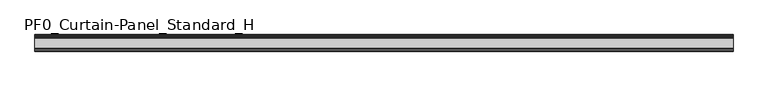
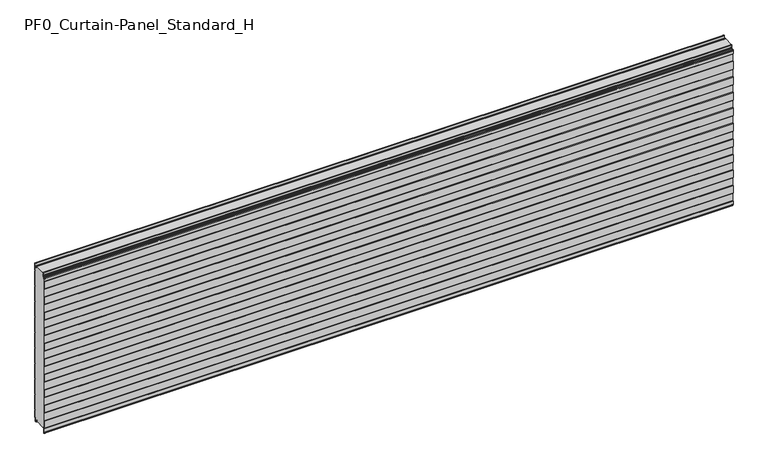
"""IFC4 building model written with IfcOpenShell, lengths in millimetres: plate geometry, PF0_Curtain-Panel_Standard_H."""

from ifc_helpers import new_model, si_unit, point, frame, frame_2d, origin, place, context, project, spatial, polyline, circle_curve, trimmed, segment, composite_curve, outline, extrude, source, transform, mapped, element, save


def pf0_curtain_panel_standard_h_ec4bd795(model_context):
    return source(origin(), model_context, "Body", "SweptSolid", [
        extrude(outline(composite_curve([segment(polyline([(-90.0, 0.0), (-93.5, 0.0)]), True, "CONTINUOUS"), segment(trimmed(circle_curve(frame_2d((-93.5, -2.0)), 2.0), [point((-93.5, 0.0))], [point((-95.5, -2.0))], True, "CARTESIAN"), True, "CONTINUOUS"), segment(polyline([(-95.5, -2.0), (-95.5, -33.0)]), True, "CONTINUOUS"), segment(trimmed(circle_curve(frame_2d((-96.5, -33.0)), 1.0), [point((-95.5, -33.0))], [point((-97.5, -33.0))], False, "CARTESIAN"), True, "CONTINUOUS"), segment(polyline([(-97.5, -33.0), (-97.5, -26.9)]), True, "CONTINUOUS"), segment(trimmed(circle_curve(frame_2d((-98.4, -26.9)), 0.9), [point((-97.5, -26.9))], [point((-98.4, -26.0))], True, "CARTESIAN"), True, "CONTINUOUS"), segment(trimmed(circle_curve(frame_2d((-98.4, -24.4)), 1.6), [point((-98.4, -26.0))], [point((-100.0, -24.4))], False, "CARTESIAN"), True, "CONTINUOUS"), segment(polyline([(-100.0, -24.4), (-100.0, -0.9952559), (-98.5, 1.6028217), (-98.5, 46.4028193), (-100.0, 49.0008969), (-100.0, 99.0047441), (-98.5, 101.6028217), (-98.5, 146.4028193), (-100.0, 149.0008969), (-100.0, 199.0047441), (-98.5, 201.6028217), (-98.5, 246.4028193), (-100.0, 249.0008969), (-100.0, 299.0047441), (-98.5, 301.6028217), (-98.5, 346.4028193), (-100.0, 349.0008969), (-100.0, 399.0047441), (-98.5, 401.6028217), (-98.5, 446.4028193), (-100.0, 449.0008969), (-100.0, 499.0047441), (-98.5, 501.6028217), (-98.5, 546.4028193), (-100.0, 549.0008969), (-100.0, 599.0047441), (-98.5, 601.6028217), (-98.5, 646.4028193), (-100.0, 649.0008969), (-100.0, 699.0047441), (-98.5, 701.6028217), (-98.5, 746.4028193), (-100.0, 749.0008969), (-100.0, 799.0047441), (-98.5, 801.6028217), (-98.5, 846.4028193), (-100.0, 849.0008969), (-100.0, 899.0047441), (-98.5, 901.6028217), (-98.5, 946.4028193), (-100.0, 949.0008969), (-100.0, 972.168846)]), True, "CONTINUOUS"), segment(trimmed(circle_curve(frame_2d((-99.0, 972.168846)), 1.0), [point((-100.0, 972.168846))], [point((-98.0, 972.168846))], False, "CARTESIAN"), True, "CONTINUOUS"), segment(polyline([(-98.0, 972.168846), (-98.0, 966.168846)]), True, "CONTINUOUS"), segment(trimmed(circle_curve(frame_2d((-96.5, 966.168846)), 1.5), [point((-98.0, 966.168846))], [point((-95.0, 966.168846))], True, "CARTESIAN"), True, "CONTINUOUS"), segment(polyline([(-95.0, 966.168846), (-95.0, 966.9964664)]), True, "CONTINUOUS"), segment(trimmed(circle_curve(frame_2d((-88.8276204, 966.9964664)), 6.1723796), [point((-95.0, 966.9964664))], [point((-88.8276204, 973.168846))], False, "CARTESIAN"), True, "CONTINUOUS"), segment(polyline([(-88.8276204, 973.168846), (-88.0, 973.168846)]), True, "CONTINUOUS"), segment(trimmed(circle_curve(frame_2d((-88.0, 974.168846)), 1.0), [point((-88.0, 973.168846))], [point((-87.0, 974.168846))], True, "CARTESIAN"), True, "CONTINUOUS"), segment(polyline([(-87.0, 974.168846), (-87.0, 980.6688472), (-85.4999999, 982.168846), (-87.0, 983.6688448), (-87.0, 995.568846)]), True, "CONTINUOUS"), segment(trimmed(circle_curve(frame_2d((-84.4, 995.568846)), 2.6), [point((-87.0, 995.568846))], [point((-84.4, 998.168846))], False, "CARTESIAN"), True, "CONTINUOUS"), segment(polyline([(-84.4, 998.168846), (-83.0, 998.168846), (-83.0, 997.368846), (-84.4, 997.368846)]), True, "CONTINUOUS"), segment(trimmed(circle_curve(frame_2d((-84.4, 995.568846)), 1.8), [point((-84.4, 997.368846))], [point((-86.2, 995.568846))], True, "CARTESIAN"), True, "CONTINUOUS"), segment(polyline([(-86.2, 995.568846), (-86.2, 984.0002158), (-84.3686285, 982.168846), (-86.2, 980.3374762), (-86.2, 974.168846)]), True, "CONTINUOUS"), segment(trimmed(circle_curve(frame_2d((-88.0, 974.168846)), 1.8), [point((-86.2, 974.168846))], [point((-88.0, 972.368846))], False, "CARTESIAN"), True, "CONTINUOUS"), segment(polyline([(-88.0, 972.368846), (-88.8276204, 972.368846)]), True, "CONTINUOUS"), segment(trimmed(circle_curve(frame_2d((-88.8276204, 966.9964664)), 5.3723796), [point((-88.8276204, 972.368846))], [point((-94.2, 966.9964664))], True, "CARTESIAN"), True, "CONTINUOUS"), segment(polyline([(-94.2, 966.9964664), (-94.2, 966.168846)]), True, "CONTINUOUS"), segment(trimmed(circle_curve(frame_2d((-96.4, 966.168846)), 2.2), [point((-94.2, 966.168846))], [point((-98.6, 966.168846))], False, "CARTESIAN"), True, "CONTINUOUS"), segment(polyline([(-98.6, 966.168846), (-98.6, 972.0579973)]), True, "CONTINUOUS"), segment(trimmed(circle_curve(frame_2d((-98.9, 972.0579973)), 0.3), [point((-98.6, 972.0579973))], [point((-99.2, 972.0579973))], True, "CARTESIAN"), True, "CONTINUOUS"), segment(polyline([(-99.2, 972.0579973), (-99.2, 949.2152562), (-97.7, 946.6171786), (-97.7, 901.3884624), (-99.2, 898.7903848), (-99.2, 849.2152562), (-97.7, 846.6171786), (-97.7, 801.3884624), (-99.2, 798.7903848), (-99.2, 749.2152562), (-97.7, 746.6171786), (-97.7, 701.3884624), (-99.2, 698.7903848), (-99.2, 649.2152562), (-97.7, 646.6171786), (-97.7, 601.3884624), (-99.2, 598.7903848), (-99.2, 549.2152562), (-97.7, 546.6171786), (-97.7, 501.3884624), (-99.2, 498.7903848), (-99.2, 449.2152562), (-97.7, 446.6171786), (-97.7, 401.3884624), (-99.2, 398.7903848), (-99.2, 349.2152562), (-97.7, 346.6171786), (-97.7, 301.3884624), (-99.2, 298.7903848), (-99.2, 249.2152562), (-97.7, 246.6171786), (-97.7, 201.3884624), (-99.2, 198.7903848), (-99.2, 149.2152562), (-97.7, 146.6171786), (-97.7, 101.3884624), (-99.2, 98.7903848), (-99.2, 49.2152562), (-97.7, 46.6171786), (-97.7, 1.3884624), (-99.2, -1.2096152), (-99.2, -24.4)]), True, "CONTINUOUS"), segment(trimmed(circle_curve(frame_2d((-98.4, -24.4)), 0.8), [point((-99.2, -24.4))], [point((-98.4, -25.2))], True, "CARTESIAN"), True, "CONTINUOUS"), segment(trimmed(circle_curve(frame_2d((-98.6133333, -26.9)), 1.7133333), [point((-98.4, -25.2))], [point((-96.9, -26.9))], False, "CARTESIAN"), True, "CONTINUOUS"), segment(polyline([(-96.9, -26.9), (-96.9, -32.8700312)]), True, "CONTINUOUS"), segment(trimmed(circle_curve(frame_2d((-96.6, -32.8700312)), 0.3), [point((-96.9, -32.8700312))], [point((-96.3, -32.8700312))], True, "CARTESIAN"), True, "CONTINUOUS"), segment(polyline([(-96.3, -32.8700312), (-96.3, -2.0)]), True, "CONTINUOUS"), segment(trimmed(circle_curve(frame_2d((-93.5, -2.0)), 2.8), [point((-96.3, -2.0))], [point((-93.5, 0.8))], False, "CARTESIAN"), True, "CONTINUOUS"), segment(polyline([(-93.5, 0.8), (-90.0, 0.8), (-90.0, 0.0)]), True, "CONTINUOUS")], self_intersect=False)), frame((-2100.0, 0.0, 0.0), z_axis=(1.0, 0.0, 0.0), x_axis=(0.0, 1.0, 0.0)), (0.0, 0.0, 1.0), 4200.0),
        extrude(outline(composite_curve([segment(polyline([(-15.878557, 0.0), (-20.0, 0.0), (-20.0, 0.8), (-15.878557, 0.8)]), True, "CONTINUOUS"), segment(trimmed(circle_curve(frame_2d((-15.878557, -2.0)), 2.8), [point((-15.878557, 0.8))], [point((-13.1503208, -1.370137))], False, "CARTESIAN"), True, "CONTINUOUS"), segment(polyline([(-13.1503208, -1.370137), (-11.728236, -7.529863)]), True, "CONTINUOUS"), segment(trimmed(circle_curve(frame_2d((-9.0, -6.9)), 2.8), [point((-11.728236, -7.529863))], [point((-6.2, -6.9))], True, "CARTESIAN"), True, "CONTINUOUS"), segment(polyline([(-6.2, -6.9), (-6.2, 8.6)]), True, "CONTINUOUS"), segment(trimmed(circle_curve(frame_2d((-3.4, 8.6)), 2.8), [point((-6.2, 8.6))], [point((-3.4, 11.4))], False, "CARTESIAN"), True, "CONTINUOUS"), segment(polyline([(-3.4, 11.4), (-2.0, 11.4)]), True, "CONTINUOUS"), segment(trimmed(circle_curve(frame_2d((-2.0, 12.6)), 1.2), [point((-2.0, 11.4))], [point((-0.8, 12.6))], True, "CARTESIAN"), True, "CONTINUOUS"), segment(polyline([(-0.8, 12.6), (-0.8, 57.6856412), (-2.482606, 60.6), (-0.8, 63.5143588), (-0.8, 157.6856412), (-2.482606, 160.6), (-0.8, 163.5143588), (-0.8, 257.6856412), (-2.482606, 260.6), (-0.8, 263.5143588), (-0.8, 357.6856412), (-2.482606, 360.6), (-0.8, 363.5143588), (-0.8, 457.6856412), (-2.482606, 460.6), (-0.8, 463.5143588), (-0.8, 557.6856412), (-2.482606, 560.6), (-0.8, 563.5143588), (-0.8, 657.6856412), (-2.482606, 660.6), (-0.8, 663.5143588), (-0.8, 757.6856412), (-2.482606, 760.6), (-0.8, 763.5143588), (-0.8, 857.6856412), (-2.482606, 860.6), (-0.8, 863.5143588), (-0.8, 957.6856412), (-2.482606, 960.6), (-0.8, 963.5143588), (-0.8, 1007.268846)]), True, "CONTINUOUS"), segment(trimmed(circle_curve(frame_2d((-2.5, 1007.268846)), 1.7), [point((-0.8, 1007.268846))], [point((-4.2, 1007.268846))], True, "CARTESIAN"), True, "CONTINUOUS"), segment(polyline([(-4.2, 1007.268846), (-4.2, 990.268846)]), True, "CONTINUOUS"), segment(trimmed(circle_curve(frame_2d((-9.0, 990.268846)), 4.8), [point((-4.2, 990.268846))], [point((-13.7270771, 989.4353344))], False, "CARTESIAN"), True, "CONTINUOUS"), segment(polyline([(-13.7270771, 989.4353344), (-14.8636953, 995.8814129)]), True, "CONTINUOUS"), segment(trimmed(circle_curve(frame_2d((-16.6363492, 995.568846)), 1.8), [point((-14.8636953, 995.8814129))], [point((-16.6363492, 997.368846))], True, "CARTESIAN"), True, "CONTINUOUS"), segment(polyline([(-16.6363492, 997.368846), (-20.0, 997.368846), (-20.0, 998.168846), (-16.6363492, 998.168846)]), True, "CONTINUOUS"), segment(trimmed(circle_curve(frame_2d((-16.6363492, 995.568846)), 2.6), [point((-16.6363492, 998.168846))], [point((-14.0758491, 996.0203315))], False, "CARTESIAN"), True, "CONTINUOUS"), segment(polyline([(-14.0758491, 996.0203315), (-12.939231, 989.574253)]), True, "CONTINUOUS"), segment(trimmed(circle_curve(frame_2d((-9.0, 990.268846)), 4.0), [point((-12.939231, 989.574253))], [point((-5.0, 990.268846))], True, "CARTESIAN"), True, "CONTINUOUS"), segment(polyline([(-5.0, 990.268846), (-5.0, 1007.268846)]), True, "CONTINUOUS"), segment(trimmed(circle_curve(frame_2d((-2.5, 1007.268846)), 2.5), [point((-5.0, 1007.268846))], [point((0.0, 1007.268846))], False, "CARTESIAN"), True, "CONTINUOUS"), segment(polyline([(0.0, 1007.268846), (0.0, 963.2999995), (-1.5588455, 960.6), (0.0, 957.9000005), (0.0, 863.2999995), (-1.5588455, 860.6), (0.0, 857.9000005), (0.0, 763.2999995), (-1.5588455, 760.6), (0.0, 757.9000005), (0.0, 663.2999995), (-1.5588455, 660.6), (0.0, 657.9000005), (0.0, 563.2999995), (-1.5588455, 560.6), (0.0, 557.9000005), (0.0, 463.2999995), (-1.5588455, 460.6), (0.0, 457.9000005), (0.0, 363.2999995), (-1.5588455, 360.6), (0.0, 357.9000005), (0.0, 263.2999995), (-1.5588455, 260.6), (0.0, 257.9000005), (0.0, 163.2999995), (-1.5588455, 160.6), (0.0, 157.9000005), (0.0, 63.2999995), (-1.5588455, 60.6), (0.0, 57.9000005), (0.0, 12.6)]), True, "CONTINUOUS"), segment(trimmed(circle_curve(frame_2d((-2.0, 12.6)), 2.0), [point((0.0, 12.6))], [point((-2.0, 10.6))], False, "CARTESIAN"), True, "CONTINUOUS"), segment(polyline([(-2.0, 10.6), (-3.4, 10.6)]), True, "CONTINUOUS"), segment(trimmed(circle_curve(frame_2d((-3.4, 8.6)), 2.0), [point((-3.4, 10.6))], [point((-5.4, 8.6))], True, "CARTESIAN"), True, "CONTINUOUS"), segment(polyline([(-5.4, 8.6), (-5.4, -6.9)]), True, "CONTINUOUS"), segment(trimmed(circle_curve(frame_2d((-9.0, -6.9)), 3.6), [point((-5.4, -6.9))], [point((-12.5077322, -7.7098239))], False, "CARTESIAN"), True, "CONTINUOUS"), segment(polyline([(-12.5077322, -7.7098239), (-13.929817, -1.5500979)]), True, "CONTINUOUS"), segment(trimmed(circle_curve(frame_2d((-15.878557, -2.0)), 2.0), [point((-13.929817, -1.5500979))], [point((-15.878557, 0.0))], True, "CARTESIAN"), True, "CONTINUOUS")], self_intersect=False)), frame((-2100.0, 0.0, 0.0), z_axis=(1.0, 0.0, 0.0), x_axis=(0.0, 1.0, 0.0)), (0.0, 0.0, 1.0), 4200.0),
        extrude(outline(composite_curve([segment(polyline([(-90.0, 0.8), (-93.5, 0.8)]), True, "CONTINUOUS"), segment(trimmed(circle_curve(frame_2d((-93.5, -2.0)), 2.8), [point((-93.5, 0.8))], [point((-96.3, -2.0))], True, "CARTESIAN"), True, "CONTINUOUS"), segment(polyline([(-96.3, -2.0), (-96.3, -32.8700312)]), True, "CONTINUOUS"), segment(trimmed(circle_curve(frame_2d((-96.6, -32.8700312)), 0.3), [point((-96.3, -32.8700312))], [point((-96.9, -32.8700312))], False, "CARTESIAN"), True, "CONTINUOUS"), segment(polyline([(-96.9, -32.8700312), (-96.9, -26.9)]), True, "CONTINUOUS"), segment(trimmed(circle_curve(frame_2d((-98.6133333, -26.9)), 1.7133333), [point((-96.9, -26.9))], [point((-98.4, -25.2))], True, "CARTESIAN"), True, "CONTINUOUS"), segment(trimmed(circle_curve(frame_2d((-98.4, -24.4)), 0.8), [point((-98.4, -25.2))], [point((-99.2, -24.4))], False, "CARTESIAN"), True, "CONTINUOUS"), segment(polyline([(-99.2, -24.4), (-99.2, -1.2096152), (-97.7, 1.3884624), (-97.7, 46.6171786), (-99.2, 49.2152562), (-99.2, 98.7903848), (-97.7, 101.3884624), (-97.7, 146.6171786), (-99.2, 149.2152562), (-99.2, 198.7903848), (-97.7, 201.3884624), (-97.7, 246.6171786), (-99.2, 249.2152562), (-99.2, 298.7903848), (-97.7, 301.3884624), (-97.7, 346.6171786), (-99.2, 349.2152562), (-99.2, 398.7903848), (-97.7, 401.3884624), (-97.7, 446.6171786), (-99.2, 449.2152562), (-99.2, 498.7903848), (-97.7, 501.3884624), (-97.7, 546.6171786), (-99.2, 549.2152562), (-99.2, 598.7903848), (-97.7, 601.3884624), (-97.7, 646.6171786), (-99.2, 649.2152562), (-99.2, 698.7903848), (-97.7, 701.3884624), (-97.7, 746.6171786), (-99.2, 749.2152562), (-99.2, 798.7903848), (-97.7, 801.3884624), (-97.7, 846.6171786), (-99.2, 849.2152562), (-99.2, 898.7903848), (-97.7, 901.3884624), (-97.7, 946.6171786), (-99.2, 949.2152562), (-99.2, 972.0579973)]), True, "CONTINUOUS"), segment(trimmed(circle_curve(frame_2d((-98.9, 972.0579973)), 0.3), [point((-99.2, 972.0579973))], [point((-98.6, 972.0579973))], False, "CARTESIAN"), True, "CONTINUOUS"), segment(polyline([(-98.6, 972.0579973), (-98.6, 966.168846)]), True, "CONTINUOUS"), segment(trimmed(circle_curve(frame_2d((-96.4, 966.168846)), 2.2), [point((-98.6, 966.168846))], [point((-94.2, 966.168846))], True, "CARTESIAN"), True, "CONTINUOUS"), segment(polyline([(-94.2, 966.168846), (-94.2, 966.9964664)]), True, "CONTINUOUS"), segment(trimmed(circle_curve(frame_2d((-88.8276204, 966.9964664)), 5.3723796), [point((-94.2, 966.9964664))], [point((-88.8276204, 972.368846))], False, "CARTESIAN"), True, "CONTINUOUS"), segment(polyline([(-88.8276204, 972.368846), (-88.0, 972.368846)]), True, "CONTINUOUS"), segment(trimmed(circle_curve(frame_2d((-88.0, 974.168846)), 1.8), [point((-88.0, 972.368846))], [point((-86.2, 974.168846))], True, "CARTESIAN"), True, "CONTINUOUS"), segment(polyline([(-86.2, 974.168846), (-86.2, 980.3374762), (-84.3686285, 982.168846), (-86.2, 984.0002158), (-86.2, 995.568846)]), True, "CONTINUOUS"), segment(trimmed(circle_curve(frame_2d((-84.4, 995.568846)), 1.8), [point((-86.2, 995.568846))], [point((-84.4, 997.368846))], False, "CARTESIAN"), True, "CONTINUOUS"), segment(polyline([(-84.4, 997.368846), (-83.0, 997.368846), (-83.0, 998.168846), (-20.0, 998.168846), (-20.0, 997.368846), (-16.6363492, 997.368846)]), True, "CONTINUOUS"), segment(trimmed(circle_curve(frame_2d((-16.6363492, 995.568846)), 1.8), [point((-16.6363492, 997.368846))], [point((-14.8636953, 995.8814129))], False, "CARTESIAN"), True, "CONTINUOUS"), segment(polyline([(-14.8636953, 995.8814129), (-13.7270772, 989.4353344)]), True, "CONTINUOUS"), segment(trimmed(circle_curve(frame_2d((-9.0, 990.268846)), 4.8), [point((-13.7270772, 989.4353344))], [point((-4.2, 990.268846))], True, "CARTESIAN"), True, "CONTINUOUS"), segment(polyline([(-4.2, 990.268846), (-4.2, 1007.268846)]), True, "CONTINUOUS"), segment(trimmed(circle_curve(frame_2d((-2.5, 1007.268846)), 1.7), [point((-4.2, 1007.268846))], [point((-0.8, 1007.268846))], False, "CARTESIAN"), True, "CONTINUOUS"), segment(polyline([(-0.8, 1007.268846), (-0.8, 963.5143588), (-2.482606, 960.6), (-0.8, 957.6856412), (-0.8, 863.5143588), (-2.482606, 860.6), (-0.8, 857.6856412), (-0.8, 763.5143588), (-2.482606, 760.6), (-0.8, 757.6856412), (-0.8, 663.5143588), (-2.482606, 660.6), (-0.8, 657.6856412), (-0.8, 563.5143588), (-2.482606, 560.6), (-0.8, 557.6856412), (-0.8, 463.5143588), (-2.482606, 460.6), (-0.8, 457.6856412), (-0.8, 363.5143588), (-2.482606, 360.6), (-0.8, 357.6856412), (-0.8, 263.5143588), (-2.482606, 260.6), (-0.8, 257.6856412), (-0.8, 163.5143588), (-2.482606, 160.6), (-0.8, 157.6856412), (-0.8, 63.5143588), (-2.482606, 60.6), (-0.8, 57.6856412), (-0.8, 12.6)]), True, "CONTINUOUS"), segment(trimmed(circle_curve(frame_2d((-2.0, 12.6)), 1.2), [point((-0.8, 12.6))], [point((-2.0, 11.4))], False, "CARTESIAN"), True, "CONTINUOUS"), segment(polyline([(-2.0, 11.4), (-3.4, 11.4)]), True, "CONTINUOUS"), segment(trimmed(circle_curve(frame_2d((-3.4, 8.6)), 2.8), [point((-3.4, 11.4))], [point((-6.2, 8.6))], True, "CARTESIAN"), True, "CONTINUOUS"), segment(polyline([(-6.2, 8.6), (-6.2, -6.9)]), True, "CONTINUOUS"), segment(trimmed(circle_curve(frame_2d((-9.0, -6.9)), 2.8), [point((-6.2, -6.9))], [point((-11.7282362, -7.529863))], False, "CARTESIAN"), True, "CONTINUOUS"), segment(polyline([(-11.7282362, -7.529863), (-13.1503208, -1.370137)]), True, "CONTINUOUS"), segment(trimmed(circle_curve(frame_2d((-15.878557, -2.0)), 2.8), [point((-13.1503208, -1.370137))], [point((-15.878557, 0.8))], True, "CARTESIAN"), True, "CONTINUOUS"), segment(polyline([(-15.878557, 0.8), (-20.0, 0.8), (-20.0, 0.0), (-90.0, 0.0), (-90.0, 0.8)]), True, "CONTINUOUS")], self_intersect=False)), frame((-2100.0, 0.0, 0.0), z_axis=(1.0, 0.0, 0.0), x_axis=(0.0, 1.0, 0.0)), (0.0, 0.0, 1.0), 4200.0),
    ])


if __name__ == "__main__":
    model = new_model("IFC4")
    model_context = context("Model", 3, world=origin())
    ifc_project = project(units=[si_unit("LENGTHUNIT", "METRE", prefix="MILLI")], contexts=[model_context])
    site = spatial("IfcSite", under=ifc_project)
    building = spatial("IfcBuilding", under=site)
    placement = place(None, origin())
    pf0_curtain_panel_standard_h_shape = pf0_curtain_panel_standard_h_ec4bd795(model_context)
    element("IfcPlate", 1, ObjectType="PF0_Curtain-Panel_Standard_H", at=placement, inside=building, context=model_context, shape_type="MappedRepresentation", body=[
        mapped(pf0_curtain_panel_standard_h_shape, transform((0.0, 0.0, 0.0), x_axis=(1.0, 0.0, 0.0), y_axis=(0.0, 1.0, 0.0), z_axis=(0.0, 0.0, 1.0))),
    ])
    save(model, "model.ifc")
